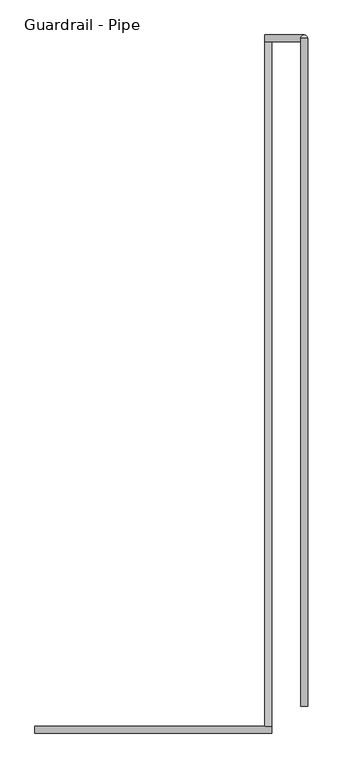
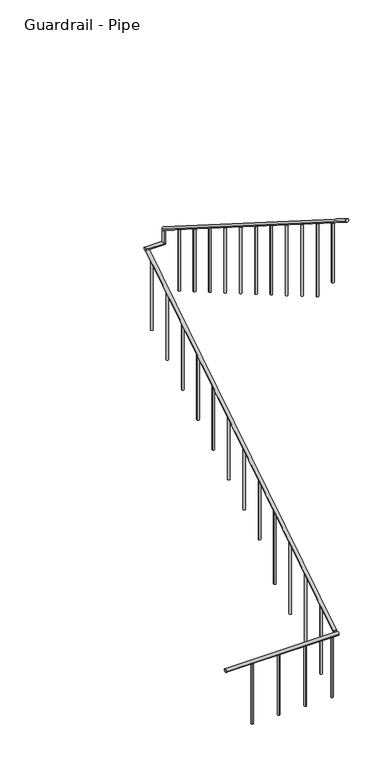
"""IFC4 building model written with IfcOpenShell, lengths in millimetres: railing geometry, Guardrail - Pipe."""

from ifc_helpers import new_model, si_unit, point, frame, frame_2d, origin, place, context, project, spatial, circle_curve, ellipse_curve, trimmed, segment, composite_curve, outline, extrude, source, transform, mapped, element, save
from ifc_brep_helpers import plane_surface, cylinder_surface, advanced_brep


def guardrail_pipe_5f2ef52b(model_context):
    return source(origin(), model_context, "Body", "SolidModel", [
        advanced_brep(
        [(575184.3754676, -284309.3580223, 847.9814972), (575222.4754676, -284309.3580223, 847.9814972), (575184.3754676, -280588.2580223, 3203.4252683), (575222.4754676, -280588.2580223, 3203.4252683)],
        [
            (0, 1, ellipse_curve(frame((575203.4254676, -284309.3580223, 847.9814972), z_axis=(0.0, -1.0, 0.0), x_axis=(0.0, 0.0, -1.0)), 22.5457755, 19.05)),
            (1, 0, ellipse_curve(frame((575203.4254676, -284309.3580223, 847.9814972), z_axis=(0.0, -1.0, 0.0), x_axis=(0.0, 0.0, -1.0)), 22.5457755, 19.05)),
            (2, 3, ellipse_curve(frame((575203.4254676, -280588.2580223, 3203.4252683), z_axis=(0.0, 1.0, 0.0), x_axis=(0.0, 0.0, -1.0)), 22.5457755, 19.05)),
            (3, 2, ellipse_curve(frame((575203.4254676, -280588.2580223, 3203.4252683), z_axis=(0.0, 1.0, 0.0), x_axis=(0.0, 0.0, -1.0)), 22.5457755, 19.05)),
            (1, 3),
            (2, 0),
        ],
        [
            plane_surface(frame((575203.4254676, -284309.3580223, 870.5272727), z_axis=(0.0, -1.0, 0.0), x_axis=(0.0, 0.0, 1.0))),
            plane_surface(frame((575203.4254676, -280588.2580223, 3225.9710438), z_axis=(0.0, 1.0, 0.0), x_axis=(0.0, 0.0, 1.0))),
            cylinder_surface(frame((575203.4254676, -284299.1691486, 854.43102), z_axis=(0.0, -0.8449476488296452, -0.5348490167675869), x_axis=(1.0, 0.0, 0.0)), 19.05),
        ],
        [
            (0, [[1, 2]]),
            (1, [[3, 4]]),
            (2, [[-2, 5, -3, 6]]),
            (2, [[-1, -6, -4, -5]]),
        ],
    ),
        advanced_brep(
        [(575184.3754676, -280550.1580223, 3218.9796296), (575184.3754676, -280588.2580223, 3218.9796296), (575397.9457983, -280588.2580223, 3218.9796296), (575397.9457983, -280550.1580223, 3218.9796296), (575397.9457983, -280550.1580223, 3357.738752), (575397.9457983, -280588.2580223, 3381.8559237)],
        [
            (0, 1, circle_curve(frame((575184.3754676, -280569.2080223, 3218.9796296), z_axis=(-1.0, 0.0, 0.0), x_axis=(0.0, -1.0, 0.0)), 19.05)),
            (1, 0, circle_curve(frame((575184.3754676, -280569.2080223, 3218.9796296), z_axis=(-1.0, 0.0, 0.0), x_axis=(0.0, -1.0, 0.0)), 19.05)),
            (1, 2),
            (2, 3, ellipse_curve(frame((575397.9457983, -280569.2080223, 3218.9796296), z_axis=(-0.7071067811865475, 0.0, -0.7071067811865475), x_axis=(-0.7071067811865476, 0.0, 0.7071067811865474)), 26.9407684, 19.05)),
            (3, 0),
            (3, 2, ellipse_curve(frame((575397.9457983, -280569.2080223, 3218.9796296), z_axis=(-0.7071067811865475, 0.0, -0.7071067811865475), x_axis=(-0.7071067811865476, 0.0, 0.7071067811865474)), 26.9407684, 19.05)),
            (4, 5, ellipse_curve(frame((575397.9457983, -280569.2080223, 3369.7973379), z_axis=(0.0, 0.5348490167675869, 0.8449476488296452), x_axis=(0.0, 0.8449476488296452, -0.5348490167675869)), 22.5457755, 19.05)),
            (5, 4, ellipse_curve(frame((575397.9457983, -280569.2080223, 3369.7973379), z_axis=(0.0, 0.5348490167675869, 0.8449476488296452), x_axis=(0.0, 0.8449476488296452, -0.5348490167675869)), 22.5457755, 19.05)),
            (2, 5),
            (4, 3),
        ],
        [
            plane_surface(frame((575184.3754676, -280569.2080223, 3238.0296296), z_axis=(-1.0, 0.0, 0.0), x_axis=(0.0, 1.0, 0.0))),
            cylinder_surface(frame((575184.3754676, -280569.2080223, 3218.9796296), z_axis=(-1.0, 0.0, 0.0), x_axis=(0.0, -1.0, 0.0)), 19.05),
            plane_surface(frame((575378.8957983, -280569.2080223, 3369.7973379), z_axis=(0.0, 0.5348490167675869, 0.8449476488296452), x_axis=(1.0, 0.0, 0.0))),
            cylinder_surface(frame((575397.9457983, -280569.2080223, 3238.0296296), z_axis=(0.0, 0.0, -1.0), x_axis=(0.0, -1.0, 0.0)), 19.05),
        ],
        [
            (0, [[1, 2]]),
            (1, [[-2, 3, 4, 5]]),
            (1, [[-1, -5, 6, -3]]),
            (2, [[7, 8]]),
            (3, [[-4, 9, -7, 10]]),
            (3, [[-6, -10, -8, -9]]),
        ],
    ),
        advanced_brep(
        [(575416.9957983, -280569.2080223, 3392.3431134), (575378.8957983, -280569.2080223, 3392.3431134), (575416.9957983, -284201.4080223, 5691.5134838), (575378.8957983, -284201.4080223, 5691.5134838)],
        [
            (0, 1, ellipse_curve(frame((575397.9457983, -280569.2080223, 3392.3431134), z_axis=(0.0, 1.0, 0.0), x_axis=(0.0, 0.0, -1.0)), 22.5457755, 19.05)),
            (1, 0, ellipse_curve(frame((575397.9457983, -280569.2080223, 3392.3431134), z_axis=(0.0, 1.0, 0.0), x_axis=(0.0, 0.0, -1.0)), 22.5457755, 19.05)),
            (2, 3, ellipse_curve(frame((575397.9457983, -284201.4080223, 5691.5134838), z_axis=(0.0, -1.0, 0.0), x_axis=(0.0, 0.0, -1.0)), 22.5457755, 19.05)),
            (3, 2, ellipse_curve(frame((575397.9457983, -284201.4080223, 5691.5134838), z_axis=(0.0, -1.0, 0.0), x_axis=(0.0, 0.0, -1.0)), 22.5457755, 19.05)),
            (1, 3),
            (2, 0),
        ],
        [
            plane_surface(frame((575397.9457983, -280569.2080223, 3414.8888889), z_axis=(0.0, 1.0, 0.0), x_axis=(0.0, 0.0, -1.0))),
            plane_surface(frame((575397.9457983, -284201.4080223, 5714.0592593), z_axis=(0.0, -1.0, 0.0), x_axis=(0.0, 0.0, -1.0))),
            cylinder_surface(frame((575397.9457983, -280579.3968961, 3398.7926362), z_axis=(0.0, 0.8449476488296452, -0.5348490167675869), x_axis=(-1.0, 0.0, 0.0)), 19.05),
        ],
        [
            (0, [[1, 2]]),
            (1, [[3, 4]]),
            (2, [[-2, 5, -3, 6]]),
            (2, [[-1, -6, -4, -5]]),
        ],
    ),
        advanced_brep(
        [(573933.4254676, -284309.3580223, 839.4186869), (573933.4254676, -284347.4580223, 839.4186869), (575222.4754676, -284309.3580223, 839.4186869), (575222.4754676, -284347.4580223, 839.4186869)],
        [
            (0, 1, circle_curve(frame((573933.4254676, -284328.4080223, 839.4186869), z_axis=(-1.0, 0.0, 0.0), x_axis=(0.0, -1.0, 0.0)), 19.05)),
            (1, 0, circle_curve(frame((573933.4254676, -284328.4080223, 839.4186869), z_axis=(-1.0, 0.0, 0.0), x_axis=(0.0, -1.0, 0.0)), 19.05)),
            (2, 3, circle_curve(frame((575222.4754676, -284328.4080223, 839.4186869), z_axis=(1.0, 0.0, 0.0), x_axis=(0.0, -1.0, 0.0)), 19.05)),
            (3, 2, circle_curve(frame((575222.4754676, -284328.4080223, 839.4186869), z_axis=(1.0, 0.0, 0.0), x_axis=(0.0, -1.0, 0.0)), 19.05)),
            (1, 3),
            (2, 0),
        ],
        [
            plane_surface(frame((573933.4254676, -284328.4080223, 858.4686869), z_axis=(-1.0, 0.0, 0.0), x_axis=(0.0, 1.0, 0.0))),
            plane_surface(frame((575222.4754676, -284328.4080223, 858.4686869), z_axis=(1.0, 0.0, 0.0), x_axis=(0.0, 1.0, 0.0))),
            cylinder_surface(frame((573933.4254676, -284328.4080223, 839.4186869), z_axis=(-1.0, 0.0, 0.0), x_axis=(0.0, -1.0, 0.0)), 19.05),
        ],
        [
            (0, [[1, 2]]),
            (1, [[3, 4]]),
            (2, [[-2, 5, -3, 6]]),
            (2, [[-1, -6, -4, -5]]),
        ],
    ),
        advanced_brep(
        [(575385.2457983, -283922.0080223, 5492.108449), (575385.2457983, -283922.0080223, 4775.2), (575410.6457983, -283922.0080223, 4775.2), (575410.6457983, -283922.0080223, 5492.108449)],
        [
            (0, 1),
            (1, 2, circle_curve(frame((575397.9457983, -283922.0080223, 4775.2), z_axis=(0.0, 0.0, 1.0), x_axis=(1.0, 0.0, 0.0)), 12.7)),
            (2, 3),
            (3, 0, ellipse_curve(frame((575397.9457983, -283922.0080223, 5492.108449), z_axis=(0.0, -0.534849016767586, -0.8449476488296459), x_axis=(0.0, -0.8449476488296459, 0.5348490167675857)), 15.030517, 12.7)),
            (0, 3, ellipse_curve(frame((575397.9457983, -283922.0080223, 5492.108449), z_axis=(0.0, -0.534849016767586, -0.8449476488296459), x_axis=(0.0, -0.8449476488296459, 0.5348490167675857)), 15.030517, 12.7)),
            (2, 1, circle_curve(frame((575397.9457983, -283922.0080223, 4775.2), z_axis=(0.0, 0.0, 1.0), x_axis=(1.0, 0.0, 0.0)), 12.7)),
        ],
        [
            cylinder_surface(frame((575397.9457983, -283922.0080223, 4546.6), z_axis=(0.0, 0.0, 1.0), x_axis=(1.0, 0.0, 0.0)), 12.7),
            plane_surface(frame((575423.3457983, -283947.4080223, 5508.1865635), z_axis=(0.0, 0.534849016767586, 0.8449476488296459), x_axis=(-1.0, 0.0, 0.0))),
            plane_surface(frame((575423.3457983, -283896.6080223, 4775.2), z_axis=(0.0, 0.0, -1.0), x_axis=(-1.0, 0.0, 0.0))),
        ],
        [
            (0, [[1, 2, 3, 4]]),
            (0, [[-1, 5, -3, 6]]),
            (1, [[-4, -5]]),
            (2, [[-2, -6]]),
        ],
    ),
        advanced_brep(
        [(575385.2457983, -283617.2080223, 5299.1710753), (575385.2457983, -283617.2080223, 4421.4814815), (575410.6457983, -283617.2080223, 4421.4814815), (575410.6457983, -283617.2080223, 5299.1710753)],
        [
            (0, 1),
            (1, 2, circle_curve(frame((575397.9457983, -283617.2080223, 4421.4814815), z_axis=(0.0, 0.0, 1.0), x_axis=(1.0, 0.0, 0.0)), 12.7)),
            (2, 3),
            (3, 0, ellipse_curve(frame((575397.9457983, -283617.2080223, 5299.1710753), z_axis=(0.0, -0.5348490167675843, -0.8449476488296469), x_axis=(0.0, -0.8449476488296469, 0.5348490167675843)), 15.030517, 12.7)),
            (0, 3, ellipse_curve(frame((575397.9457983, -283617.2080223, 5299.1710753), z_axis=(0.0, -0.5348490167675843, -0.8449476488296469), x_axis=(0.0, -0.8449476488296469, 0.5348490167675843)), 15.030517, 12.7)),
            (2, 1, circle_curve(frame((575397.9457983, -283617.2080223, 4421.4814815), z_axis=(0.0, 0.0, 1.0), x_axis=(1.0, 0.0, 0.0)), 12.7)),
        ],
        [
            cylinder_surface(frame((575397.9457983, -283617.2080223, 4192.8814815), z_axis=(0.0, 0.0, 1.0), x_axis=(1.0, 0.0, 0.0)), 12.7),
            plane_surface(frame((575423.3457983, -283642.6080223, 5315.2491897), z_axis=(0.0, 0.5348490167675843, 0.8449476488296469), x_axis=(-1.0, 0.0, 0.0))),
            plane_surface(frame((575423.3457983, -283591.8080223, 4421.4814815), z_axis=(0.0, 0.0, -1.0), x_axis=(-1.0, 0.0, 0.0))),
        ],
        [
            (0, [[1, 2, 3, 4]]),
            (0, [[-1, 5, -3, 6]]),
            (1, [[-4, -5]]),
            (2, [[-2, -6]]),
        ],
    ),
        advanced_brep(
        [(575385.2457983, -283312.4080223, 5106.2337015), (575385.2457983, -283312.4080223, 4244.6222222), (575410.6457983, -283312.4080223, 4244.6222222), (575410.6457983, -283312.4080223, 5106.2337015)],
        [
            (0, 1),
            (1, 2, circle_curve(frame((575397.9457983, -283312.4080223, 4244.6222222), z_axis=(0.0, 0.0, 1.0), x_axis=(1.0, 0.0, 0.0)), 12.7)),
            (2, 3),
            (3, 0, ellipse_curve(frame((575397.9457983, -283312.4080223, 5106.2337015), z_axis=(0.0, -0.534849016767586, -0.8449476488296459), x_axis=(0.0, -0.8449476488296459, 0.5348490167675857)), 15.030517, 12.7)),
            (0, 3, ellipse_curve(frame((575397.9457983, -283312.4080223, 5106.2337015), z_axis=(0.0, -0.534849016767586, -0.8449476488296459), x_axis=(0.0, -0.8449476488296459, 0.5348490167675857)), 15.030517, 12.7)),
            (2, 1, circle_curve(frame((575397.9457983, -283312.4080223, 4244.6222222), z_axis=(0.0, 0.0, 1.0), x_axis=(1.0, 0.0, 0.0)), 12.7)),
        ],
        [
            cylinder_surface(frame((575397.9457983, -283312.4080223, 4016.0222222), z_axis=(0.0, 0.0, 1.0), x_axis=(1.0, 0.0, 0.0)), 12.7),
            plane_surface(frame((575423.3457983, -283337.8080223, 5122.311816), z_axis=(0.0, 0.534849016767586, 0.8449476488296459), x_axis=(-1.0, 0.0, 0.0))),
            plane_surface(frame((575423.3457983, -283287.0080223, 4244.6222222), z_axis=(0.0, 0.0, -1.0), x_axis=(-1.0, 0.0, 0.0))),
        ],
        [
            (0, [[1, 2, 3, 4]]),
            (0, [[-1, 5, -3, 6]]),
            (1, [[-4, -5]]),
            (2, [[-2, -6]]),
        ],
    ),
        advanced_brep(
        [(575385.2457983, -283007.6080223, 4913.2963278), (575385.2457983, -283007.6080223, 4067.762963), (575410.6457983, -283007.6080223, 4067.762963), (575410.6457983, -283007.6080223, 4913.2963278)],
        [
            (0, 1),
            (1, 2, circle_curve(frame((575397.9457983, -283007.6080223, 4067.762963), z_axis=(0.0, 0.0, 1.0), x_axis=(1.0, 0.0, 0.0)), 12.7)),
            (2, 3),
            (3, 0, ellipse_curve(frame((575397.9457983, -283007.6080223, 4913.2963278), z_axis=(0.0, -0.534849016767586, -0.8449476488296459), x_axis=(0.0, -0.8449476488296459, 0.5348490167675857)), 15.030517, 12.7)),
            (0, 3, ellipse_curve(frame((575397.9457983, -283007.6080223, 4913.2963278), z_axis=(0.0, -0.534849016767586, -0.8449476488296459), x_axis=(0.0, -0.8449476488296459, 0.5348490167675857)), 15.030517, 12.7)),
            (2, 1, circle_curve(frame((575397.9457983, -283007.6080223, 4067.762963), z_axis=(0.0, 0.0, 1.0), x_axis=(1.0, 0.0, 0.0)), 12.7)),
        ],
        [
            cylinder_surface(frame((575397.9457983, -283007.6080223, 3839.162963), z_axis=(0.0, 0.0, 1.0), x_axis=(1.0, 0.0, 0.0)), 12.7),
            plane_surface(frame((575423.3457983, -283033.0080223, 4929.3744423), z_axis=(0.0, 0.534849016767586, 0.8449476488296459), x_axis=(-1.0, 0.0, 0.0))),
            plane_surface(frame((575423.3457983, -282982.2080223, 4067.762963), z_axis=(0.0, 0.0, -1.0), x_axis=(-1.0, 0.0, 0.0))),
        ],
        [
            (0, [[1, 2, 3, 4]]),
            (0, [[-1, 5, -3, 6]]),
            (1, [[-4, -5]]),
            (2, [[-2, -6]]),
        ],
    ),
        advanced_brep(
        [(575385.2457983, -282702.8080223, 4720.358954), (575385.2457983, -282702.8080223, 3890.9037037), (575410.6457983, -282702.8080223, 3890.9037037), (575410.6457983, -282702.8080223, 4720.358954)],
        [
            (0, 1),
            (1, 2, circle_curve(frame((575397.9457983, -282702.8080223, 3890.9037037), z_axis=(0.0, 0.0, 1.0), x_axis=(1.0, 0.0, 0.0)), 12.7)),
            (2, 3),
            (3, 0, ellipse_curve(frame((575397.9457983, -282702.8080223, 4720.358954), z_axis=(0.0, -0.5348490167675843, -0.8449476488296469), x_axis=(0.0, -0.8449476488296469, 0.5348490167675843)), 15.030517, 12.7)),
            (0, 3, ellipse_curve(frame((575397.9457983, -282702.8080223, 4720.358954), z_axis=(0.0, -0.5348490167675843, -0.8449476488296469), x_axis=(0.0, -0.8449476488296469, 0.5348490167675843)), 15.030517, 12.7)),
            (2, 1, circle_curve(frame((575397.9457983, -282702.8080223, 3890.9037037), z_axis=(0.0, 0.0, 1.0), x_axis=(1.0, 0.0, 0.0)), 12.7)),
        ],
        [
            cylinder_surface(frame((575397.9457983, -282702.8080223, 3662.3037037), z_axis=(0.0, 0.0, 1.0), x_axis=(1.0, 0.0, 0.0)), 12.7),
            plane_surface(frame((575423.3457983, -282728.2080223, 4736.4370685), z_axis=(0.0, 0.5348490167675843, 0.8449476488296469), x_axis=(-1.0, 0.0, 0.0))),
            plane_surface(frame((575423.3457983, -282677.4080223, 3890.9037037), z_axis=(0.0, 0.0, -1.0), x_axis=(-1.0, 0.0, 0.0))),
        ],
        [
            (0, [[1, 2, 3, 4]]),
            (0, [[-1, 5, -3, 6]]),
            (1, [[-4, -5]]),
            (2, [[-2, -6]]),
        ],
    ),
        advanced_brep(
        [(575385.2457983, -282398.0080223, 4527.4215803), (575385.2457983, -282398.0080223, 3714.0444444), (575410.6457983, -282398.0080223, 3714.0444444), (575410.6457983, -282398.0080223, 4527.4215803)],
        [
            (0, 1),
            (1, 2, circle_curve(frame((575397.9457983, -282398.0080223, 3714.0444444), z_axis=(0.0, 0.0, 1.0), x_axis=(1.0, 0.0, 0.0)), 12.7)),
            (2, 3),
            (3, 0, ellipse_curve(frame((575397.9457983, -282398.0080223, 4527.4215803), z_axis=(0.0, -0.5348490167675828, -0.844947648829648), x_axis=(0.0, -0.8449476488296481, 0.5348490167675825)), 15.030517, 12.7)),
            (0, 3, ellipse_curve(frame((575397.9457983, -282398.0080223, 4527.4215803), z_axis=(0.0, -0.5348490167675828, -0.844947648829648), x_axis=(0.0, -0.8449476488296481, 0.5348490167675825)), 15.030517, 12.7)),
            (2, 1, circle_curve(frame((575397.9457983, -282398.0080223, 3714.0444444), z_axis=(0.0, 0.0, 1.0), x_axis=(1.0, 0.0, 0.0)), 12.7)),
        ],
        [
            cylinder_surface(frame((575397.9457983, -282398.0080223, 3485.4444444), z_axis=(0.0, 0.0, 1.0), x_axis=(1.0, 0.0, 0.0)), 12.7),
            plane_surface(frame((575423.3457983, -282423.4080223, 4543.4996948), z_axis=(0.0, 0.5348490167675828, 0.844947648829648), x_axis=(-1.0, 0.0, 0.0))),
            plane_surface(frame((575423.3457983, -282372.6080223, 3714.0444444), z_axis=(0.0, 0.0, -1.0), x_axis=(-1.0, 0.0, 0.0))),
        ],
        [
            (0, [[1, 2, 3, 4]]),
            (0, [[-1, 5, -3, 6]]),
            (1, [[-4, -5]]),
            (2, [[-2, -6]]),
        ],
    ),
        advanced_brep(
        [(575385.2457983, -282093.2080223, 4334.4842066), (575385.2457983, -282093.2080223, 3537.1851852), (575410.6457983, -282093.2080223, 3537.1851852), (575410.6457983, -282093.2080223, 4334.4842066)],
        [
            (0, 1),
            (1, 2, circle_curve(frame((575397.9457983, -282093.2080223, 3537.1851852), z_axis=(0.0, 0.0, 1.0), x_axis=(1.0, 0.0, 0.0)), 12.7)),
            (2, 3),
            (3, 0, ellipse_curve(frame((575397.9457983, -282093.2080223, 4334.4842066), z_axis=(0.0, -0.5348490167675843, -0.8449476488296469), x_axis=(0.0, -0.8449476488296469, 0.5348490167675843)), 15.030517, 12.7)),
            (0, 3, ellipse_curve(frame((575397.9457983, -282093.2080223, 4334.4842066), z_axis=(0.0, -0.5348490167675843, -0.8449476488296469), x_axis=(0.0, -0.8449476488296469, 0.5348490167675843)), 15.030517, 12.7)),
            (2, 1, circle_curve(frame((575397.9457983, -282093.2080223, 3537.1851852), z_axis=(0.0, 0.0, 1.0), x_axis=(1.0, 0.0, 0.0)), 12.7)),
        ],
        [
            cylinder_surface(frame((575397.9457983, -282093.2080223, 3308.5851852), z_axis=(0.0, 0.0, 1.0), x_axis=(1.0, 0.0, 0.0)), 12.7),
            plane_surface(frame((575423.3457983, -282118.6080223, 4350.5623211), z_axis=(0.0, 0.5348490167675843, 0.8449476488296469), x_axis=(-1.0, 0.0, 0.0))),
            plane_surface(frame((575423.3457983, -282067.8080223, 3537.1851852), z_axis=(0.0, 0.0, -1.0), x_axis=(-1.0, 0.0, 0.0))),
        ],
        [
            (0, [[1, 2, 3, 4]]),
            (0, [[-1, 5, -3, 6]]),
            (1, [[-4, -5]]),
            (2, [[-2, -6]]),
        ],
    ),
        advanced_brep(
        [(575385.2457983, -281788.4080223, 4141.5468328), (575385.2457983, -281788.4080223, 3360.3259259), (575410.6457983, -281788.4080223, 3360.3259259), (575410.6457983, -281788.4080223, 4141.5468328)],
        [
            (0, 1),
            (1, 2, circle_curve(frame((575397.9457983, -281788.4080223, 3360.3259259), z_axis=(0.0, 0.0, 1.0), x_axis=(1.0, 0.0, 0.0)), 12.7)),
            (2, 3),
            (3, 0, ellipse_curve(frame((575397.9457983, -281788.4080223, 4141.5468328), z_axis=(0.0, -0.5348490167675843, -0.8449476488296469), x_axis=(0.0, -0.8449476488296469, 0.5348490167675843)), 15.030517, 12.7)),
            (0, 3, ellipse_curve(frame((575397.9457983, -281788.4080223, 4141.5468328), z_axis=(0.0, -0.5348490167675843, -0.8449476488296469), x_axis=(0.0, -0.8449476488296469, 0.5348490167675843)), 15.030517, 12.7)),
            (2, 1, circle_curve(frame((575397.9457983, -281788.4080223, 3360.3259259), z_axis=(0.0, 0.0, 1.0), x_axis=(1.0, 0.0, 0.0)), 12.7)),
        ],
        [
            cylinder_surface(frame((575397.9457983, -281788.4080223, 3131.7259259), z_axis=(0.0, 0.0, 1.0), x_axis=(1.0, 0.0, 0.0)), 12.7),
            plane_surface(frame((575423.3457983, -281813.8080223, 4157.6249473), z_axis=(0.0, 0.5348490167675843, 0.8449476488296469), x_axis=(-1.0, 0.0, 0.0))),
            plane_surface(frame((575423.3457983, -281763.0080223, 3360.3259259), z_axis=(0.0, 0.0, -1.0), x_axis=(-1.0, 0.0, 0.0))),
        ],
        [
            (0, [[1, 2, 3, 4]]),
            (0, [[-1, 5, -3, 6]]),
            (1, [[-4, -5]]),
            (2, [[-2, -6]]),
        ],
    ),
        advanced_brep(
        [(575385.2457983, -281483.6080223, 3948.6094591), (575385.2457983, -281483.6080223, 3183.4666667), (575410.6457983, -281483.6080223, 3183.4666667), (575410.6457983, -281483.6080223, 3948.6094591)],
        [
            (0, 1),
            (1, 2, circle_curve(frame((575397.9457983, -281483.6080223, 3183.4666667), z_axis=(0.0, 0.0, 1.0), x_axis=(1.0, 0.0, 0.0)), 12.7)),
            (2, 3),
            (3, 0, ellipse_curve(frame((575397.9457983, -281483.6080223, 3948.6094591), z_axis=(0.0, -0.5348490167675843, -0.8449476488296469), x_axis=(0.0, -0.8449476488296469, 0.5348490167675843)), 15.030517, 12.7)),
            (0, 3, ellipse_curve(frame((575397.9457983, -281483.6080223, 3948.6094591), z_axis=(0.0, -0.5348490167675843, -0.8449476488296469), x_axis=(0.0, -0.8449476488296469, 0.5348490167675843)), 15.030517, 12.7)),
            (2, 1, circle_curve(frame((575397.9457983, -281483.6080223, 3183.4666667), z_axis=(0.0, 0.0, 1.0), x_axis=(1.0, 0.0, 0.0)), 12.7)),
        ],
        [
            cylinder_surface(frame((575397.9457983, -281483.6080223, 2954.8666667), z_axis=(0.0, 0.0, 1.0), x_axis=(1.0, 0.0, 0.0)), 12.7),
            plane_surface(frame((575423.3457983, -281509.0080223, 3964.6875736), z_axis=(0.0, 0.5348490167675843, 0.8449476488296469), x_axis=(-1.0, 0.0, 0.0))),
            plane_surface(frame((575423.3457983, -281458.2080223, 3183.4666667), z_axis=(0.0, 0.0, -1.0), x_axis=(-1.0, 0.0, 0.0))),
        ],
        [
            (0, [[1, 2, 3, 4]]),
            (0, [[-1, 5, -3, 6]]),
            (1, [[-4, -5]]),
            (2, [[-2, -6]]),
        ],
    ),
        advanced_brep(
        [(575385.2457983, -281178.8080223, 3755.6720854), (575385.2457983, -281178.8080223, 3006.6074074), (575410.6457983, -281178.8080223, 3006.6074074), (575410.6457983, -281178.8080223, 3755.6720854)],
        [
            (0, 1),
            (1, 2, circle_curve(frame((575397.9457983, -281178.8080223, 3006.6074074), z_axis=(0.0, 0.0, 1.0), x_axis=(1.0, 0.0, 0.0)), 12.7)),
            (2, 3),
            (3, 0, ellipse_curve(frame((575397.9457983, -281178.8080223, 3755.6720854), z_axis=(0.0, -0.534849016767586, -0.8449476488296459), x_axis=(0.0, -0.8449476488296459, 0.5348490167675857)), 15.030517, 12.7)),
            (0, 3, ellipse_curve(frame((575397.9457983, -281178.8080223, 3755.6720854), z_axis=(0.0, -0.534849016767586, -0.8449476488296459), x_axis=(0.0, -0.8449476488296459, 0.5348490167675857)), 15.030517, 12.7)),
            (2, 1, circle_curve(frame((575397.9457983, -281178.8080223, 3006.6074074), z_axis=(0.0, 0.0, 1.0), x_axis=(1.0, 0.0, 0.0)), 12.7)),
        ],
        [
            cylinder_surface(frame((575397.9457983, -281178.8080223, 2778.0074074), z_axis=(0.0, 0.0, 1.0), x_axis=(1.0, 0.0, 0.0)), 12.7),
            plane_surface(frame((575423.3457983, -281204.2080223, 3771.7501998), z_axis=(0.0, 0.534849016767586, 0.8449476488296459), x_axis=(-1.0, 0.0, 0.0))),
            plane_surface(frame((575423.3457983, -281153.4080223, 3006.6074074), z_axis=(0.0, 0.0, -1.0), x_axis=(-1.0, 0.0, 0.0))),
        ],
        [
            (0, [[1, 2, 3, 4]]),
            (0, [[-1, 5, -3, 6]]),
            (1, [[-4, -5]]),
            (2, [[-2, -6]]),
        ],
    ),
        advanced_brep(
        [(575385.2457983, -280874.0080223, 3562.7347116), (575385.2457983, -280874.0080223, 2829.7481481), (575410.6457983, -280874.0080223, 2829.7481481), (575410.6457983, -280874.0080223, 3562.7347116)],
        [
            (0, 1),
            (1, 2, circle_curve(frame((575397.9457983, -280874.0080223, 2829.7481481), z_axis=(0.0, 0.0, 1.0), x_axis=(1.0, 0.0, 0.0)), 12.7)),
            (2, 3),
            (3, 0, ellipse_curve(frame((575397.9457983, -280874.0080223, 3562.7347116), z_axis=(0.0, -0.5348490167675828, -0.844947648829648), x_axis=(0.0, -0.8449476488296481, 0.5348490167675825)), 15.030517, 12.7)),
            (0, 3, ellipse_curve(frame((575397.9457983, -280874.0080223, 3562.7347116), z_axis=(0.0, -0.5348490167675828, -0.844947648829648), x_axis=(0.0, -0.8449476488296481, 0.5348490167675825)), 15.030517, 12.7)),
            (2, 1, circle_curve(frame((575397.9457983, -280874.0080223, 2829.7481481), z_axis=(0.0, 0.0, 1.0), x_axis=(1.0, 0.0, 0.0)), 12.7)),
        ],
        [
            cylinder_surface(frame((575397.9457983, -280874.0080223, 2601.1481481), z_axis=(0.0, 0.0, 1.0), x_axis=(1.0, 0.0, 0.0)), 12.7),
            plane_surface(frame((575423.3457983, -280899.4080223, 3578.8128261), z_axis=(0.0, 0.5348490167675828, 0.844947648829648), x_axis=(-1.0, 0.0, 0.0))),
            plane_surface(frame((575423.3457983, -280848.6080223, 2829.7481481), z_axis=(0.0, 0.0, -1.0), x_axis=(-1.0, 0.0, 0.0))),
        ],
        [
            (0, [[1, 2, 3, 4]]),
            (0, [[-1, 5, -3, 6]]),
            (1, [[-4, -5]]),
            (2, [[-2, -6]]),
        ],
    ),
        advanced_brep(
        [(575216.1254676, -280670.8080223, 3128.6256207), (575216.1254676, -280670.8080223, 2299.1703704), (575190.7254676, -280670.8080223, 2299.1703704), (575190.7254676, -280670.8080223, 3128.6256207)],
        [
            (0, 1),
            (1, 2, circle_curve(frame((575203.4254676, -280670.8080223, 2299.1703704), z_axis=(0.0, 0.0, 1.0), x_axis=(-1.0, 0.0, 0.0)), 12.7)),
            (2, 3),
            (3, 0, ellipse_curve(frame((575203.4254676, -280670.8080223, 3128.6256207), z_axis=(0.0, 0.5348490167675843, -0.8449476488296469), x_axis=(0.0, 0.8449476488296469, 0.5348490167675843)), 15.030517, 12.7)),
            (0, 3, ellipse_curve(frame((575203.4254676, -280670.8080223, 3128.6256207), z_axis=(0.0, 0.5348490167675843, -0.8449476488296469), x_axis=(0.0, 0.8449476488296469, 0.5348490167675843)), 15.030517, 12.7)),
            (2, 1, circle_curve(frame((575203.4254676, -280670.8080223, 2299.1703704), z_axis=(0.0, 0.0, 1.0), x_axis=(-1.0, 0.0, 0.0)), 12.7)),
        ],
        [
            cylinder_surface(frame((575203.4254676, -280670.8080223, 2070.5703704), z_axis=(0.0, 0.0, 1.0), x_axis=(-1.0, 0.0, 0.0)), 12.7),
            plane_surface(frame((575178.0254676, -280645.4080223, 3144.7037352), z_axis=(0.0, -0.5348490167675843, 0.8449476488296469), x_axis=(1.0, 0.0, 0.0))),
            plane_surface(frame((575178.0254676, -280696.2080223, 2299.1703704), z_axis=(0.0, 0.0, -1.0), x_axis=(1.0, 0.0, 0.0))),
        ],
        [
            (0, [[1, 2, 3, 4]]),
            (0, [[-1, 5, -3, 6]]),
            (1, [[-4, -5]]),
            (2, [[-2, -6]]),
        ],
    ),
        advanced_brep(
        [(575216.1254676, -280975.6080223, 2935.688247), (575216.1254676, -280975.6080223, 2122.3111111), (575190.7254676, -280975.6080223, 2122.3111111), (575190.7254676, -280975.6080223, 2935.688247)],
        [
            (0, 1),
            (1, 2, circle_curve(frame((575203.4254676, -280975.6080223, 2122.3111111), z_axis=(0.0, 0.0, 1.0), x_axis=(-1.0, 0.0, 0.0)), 12.7)),
            (2, 3),
            (3, 0, ellipse_curve(frame((575203.4254676, -280975.6080223, 2935.688247), z_axis=(0.0, 0.5348490167675828, -0.844947648829648), x_axis=(0.0, 0.8449476488296481, 0.5348490167675825)), 15.030517, 12.7)),
            (0, 3, ellipse_curve(frame((575203.4254676, -280975.6080223, 2935.688247), z_axis=(0.0, 0.5348490167675828, -0.844947648829648), x_axis=(0.0, 0.8449476488296481, 0.5348490167675825)), 15.030517, 12.7)),
            (2, 1, circle_curve(frame((575203.4254676, -280975.6080223, 2122.3111111), z_axis=(0.0, 0.0, 1.0), x_axis=(-1.0, 0.0, 0.0)), 12.7)),
        ],
        [
            cylinder_surface(frame((575203.4254676, -280975.6080223, 1893.7111111), z_axis=(0.0, 0.0, 1.0), x_axis=(-1.0, 0.0, 0.0)), 12.7),
            plane_surface(frame((575178.0254676, -280950.2080223, 2951.7663615), z_axis=(0.0, -0.5348490167675828, 0.844947648829648), x_axis=(1.0, 0.0, 0.0))),
            plane_surface(frame((575178.0254676, -281001.0080223, 2122.3111111), z_axis=(0.0, 0.0, -1.0), x_axis=(1.0, 0.0, 0.0))),
        ],
        [
            (0, [[1, 2, 3, 4]]),
            (0, [[-1, 5, -3, 6]]),
            (1, [[-4, -5]]),
            (2, [[-2, -6]]),
        ],
    ),
        advanced_brep(
        [(575216.1254676, -281280.4080223, 2742.7508732), (575216.1254676, -281280.4080223, 1945.4518519), (575190.7254676, -281280.4080223, 1945.4518519), (575190.7254676, -281280.4080223, 2742.7508732)],
        [
            (0, 1),
            (1, 2, circle_curve(frame((575203.4254676, -281280.4080223, 1945.4518519), z_axis=(0.0, 0.0, 1.0), x_axis=(-1.0, 0.0, 0.0)), 12.7)),
            (2, 3),
            (3, 0, ellipse_curve(frame((575203.4254676, -281280.4080223, 2742.7508732), z_axis=(0.0, 0.5348490167675843, -0.8449476488296469), x_axis=(0.0, 0.8449476488296469, 0.5348490167675843)), 15.030517, 12.7)),
            (0, 3, ellipse_curve(frame((575203.4254676, -281280.4080223, 2742.7508732), z_axis=(0.0, 0.5348490167675843, -0.8449476488296469), x_axis=(0.0, 0.8449476488296469, 0.5348490167675843)), 15.030517, 12.7)),
            (2, 1, circle_curve(frame((575203.4254676, -281280.4080223, 1945.4518519), z_axis=(0.0, 0.0, 1.0), x_axis=(-1.0, 0.0, 0.0)), 12.7)),
        ],
        [
            cylinder_surface(frame((575203.4254676, -281280.4080223, 1716.8518519), z_axis=(0.0, 0.0, 1.0), x_axis=(-1.0, 0.0, 0.0)), 12.7),
            plane_surface(frame((575178.0254676, -281255.0080223, 2758.8289877), z_axis=(0.0, -0.5348490167675843, 0.8449476488296469), x_axis=(1.0, 0.0, 0.0))),
            plane_surface(frame((575178.0254676, -281305.8080223, 1945.4518519), z_axis=(0.0, 0.0, -1.0), x_axis=(1.0, 0.0, 0.0))),
        ],
        [
            (0, [[1, 2, 3, 4]]),
            (0, [[-1, 5, -3, 6]]),
            (1, [[-4, -5]]),
            (2, [[-2, -6]]),
        ],
    ),
        advanced_brep(
        [(575216.1254676, -281585.2080223, 2549.8134995), (575216.1254676, -281585.2080223, 1768.5925926), (575190.7254676, -281585.2080223, 1768.5925926), (575190.7254676, -281585.2080223, 2549.8134995)],
        [
            (0, 1),
            (1, 2, circle_curve(frame((575203.4254676, -281585.2080223, 1768.5925926), z_axis=(0.0, 0.0, 1.0), x_axis=(-1.0, 0.0, 0.0)), 12.7)),
            (2, 3),
            (3, 0, ellipse_curve(frame((575203.4254676, -281585.2080223, 2549.8134995), z_axis=(0.0, 0.5348490167675843, -0.8449476488296469), x_axis=(0.0, 0.8449476488296469, 0.5348490167675843)), 15.030517, 12.7)),
            (0, 3, ellipse_curve(frame((575203.4254676, -281585.2080223, 2549.8134995), z_axis=(0.0, 0.5348490167675843, -0.8449476488296469), x_axis=(0.0, 0.8449476488296469, 0.5348490167675843)), 15.030517, 12.7)),
            (2, 1, circle_curve(frame((575203.4254676, -281585.2080223, 1768.5925926), z_axis=(0.0, 0.0, 1.0), x_axis=(-1.0, 0.0, 0.0)), 12.7)),
        ],
        [
            cylinder_surface(frame((575203.4254676, -281585.2080223, 1539.9925926), z_axis=(0.0, 0.0, 1.0), x_axis=(-1.0, 0.0, 0.0)), 12.7),
            plane_surface(frame((575178.0254676, -281559.8080223, 2565.891614), z_axis=(0.0, -0.5348490167675843, 0.8449476488296469), x_axis=(1.0, 0.0, 0.0))),
            plane_surface(frame((575178.0254676, -281610.6080223, 1768.5925926), z_axis=(0.0, 0.0, -1.0), x_axis=(1.0, 0.0, 0.0))),
        ],
        [
            (0, [[1, 2, 3, 4]]),
            (0, [[-1, 5, -3, 6]]),
            (1, [[-4, -5]]),
            (2, [[-2, -6]]),
        ],
    ),
        advanced_brep(
        [(575216.1254676, -281890.0080223, 2356.8761258), (575216.1254676, -281890.0080223, 1591.7333333), (575190.7254676, -281890.0080223, 1591.7333333), (575190.7254676, -281890.0080223, 2356.8761258)],
        [
            (0, 1),
            (1, 2, circle_curve(frame((575203.4254676, -281890.0080223, 1591.7333333), z_axis=(0.0, 0.0, 1.0), x_axis=(-1.0, 0.0, 0.0)), 12.7)),
            (2, 3),
            (3, 0, ellipse_curve(frame((575203.4254676, -281890.0080223, 2356.8761258), z_axis=(0.0, 0.5348490167675843, -0.8449476488296469), x_axis=(0.0, 0.8449476488296469, 0.5348490167675843)), 15.030517, 12.7)),
            (0, 3, ellipse_curve(frame((575203.4254676, -281890.0080223, 2356.8761258), z_axis=(0.0, 0.5348490167675843, -0.8449476488296469), x_axis=(0.0, 0.8449476488296469, 0.5348490167675843)), 15.030517, 12.7)),
            (2, 1, circle_curve(frame((575203.4254676, -281890.0080223, 1591.7333333), z_axis=(0.0, 0.0, 1.0), x_axis=(-1.0, 0.0, 0.0)), 12.7)),
        ],
        [
            cylinder_surface(frame((575203.4254676, -281890.0080223, 1363.1333333), z_axis=(0.0, 0.0, 1.0), x_axis=(-1.0, 0.0, 0.0)), 12.7),
            plane_surface(frame((575178.0254676, -281864.6080223, 2372.9542402), z_axis=(0.0, -0.5348490167675843, 0.8449476488296469), x_axis=(1.0, 0.0, 0.0))),
            plane_surface(frame((575178.0254676, -281915.4080223, 1591.7333333), z_axis=(0.0, 0.0, -1.0), x_axis=(1.0, 0.0, 0.0))),
        ],
        [
            (0, [[1, 2, 3, 4]]),
            (0, [[-1, 5, -3, 6]]),
            (1, [[-4, -5]]),
            (2, [[-2, -6]]),
        ],
    ),
        advanced_brep(
        [(575216.1254676, -282194.8080223, 2163.938752), (575216.1254676, -282194.8080223, 1414.8740741), (575190.7254676, -282194.8080223, 1414.8740741), (575190.7254676, -282194.8080223, 2163.938752)],
        [
            (0, 1),
            (1, 2, circle_curve(frame((575203.4254676, -282194.8080223, 1414.8740741), z_axis=(0.0, 0.0, 1.0), x_axis=(-1.0, 0.0, 0.0)), 12.7)),
            (2, 3),
            (3, 0, ellipse_curve(frame((575203.4254676, -282194.8080223, 2163.938752), z_axis=(0.0, 0.534849016767586, -0.8449476488296459), x_axis=(0.0, 0.8449476488296459, 0.5348490167675857)), 15.030517, 12.7)),
            (0, 3, ellipse_curve(frame((575203.4254676, -282194.8080223, 2163.938752), z_axis=(0.0, 0.534849016767586, -0.8449476488296459), x_axis=(0.0, 0.8449476488296459, 0.5348490167675857)), 15.030517, 12.7)),
            (2, 1, circle_curve(frame((575203.4254676, -282194.8080223, 1414.8740741), z_axis=(0.0, 0.0, 1.0), x_axis=(-1.0, 0.0, 0.0)), 12.7)),
        ],
        [
            cylinder_surface(frame((575203.4254676, -282194.8080223, 1186.2740741), z_axis=(0.0, 0.0, 1.0), x_axis=(-1.0, 0.0, 0.0)), 12.7),
            plane_surface(frame((575178.0254676, -282169.4080223, 2180.0168665), z_axis=(0.0, -0.534849016767586, 0.8449476488296459), x_axis=(1.0, 0.0, 0.0))),
            plane_surface(frame((575178.0254676, -282220.2080223, 1414.8740741), z_axis=(0.0, 0.0, -1.0), x_axis=(1.0, 0.0, 0.0))),
        ],
        [
            (0, [[1, 2, 3, 4]]),
            (0, [[-1, 5, -3, 6]]),
            (1, [[-4, -5]]),
            (2, [[-2, -6]]),
        ],
    ),
        advanced_brep(
        [(575216.1254676, -282499.6080223, 1971.0013783), (575216.1254676, -282499.6080223, 1238.0148148), (575190.7254676, -282499.6080223, 1238.0148148), (575190.7254676, -282499.6080223, 1971.0013783)],
        [
            (0, 1),
            (1, 2, circle_curve(frame((575203.4254676, -282499.6080223, 1238.0148148), z_axis=(0.0, 0.0, 1.0), x_axis=(-1.0, 0.0, 0.0)), 12.7)),
            (2, 3),
            (3, 0, ellipse_curve(frame((575203.4254676, -282499.6080223, 1971.0013783), z_axis=(0.0, 0.5348490167675828, -0.844947648829648), x_axis=(0.0, 0.8449476488296481, 0.5348490167675825)), 15.030517, 12.7)),
            (0, 3, ellipse_curve(frame((575203.4254676, -282499.6080223, 1971.0013783), z_axis=(0.0, 0.5348490167675828, -0.844947648829648), x_axis=(0.0, 0.8449476488296481, 0.5348490167675825)), 15.030517, 12.7)),
            (2, 1, circle_curve(frame((575203.4254676, -282499.6080223, 1238.0148148), z_axis=(0.0, 0.0, 1.0), x_axis=(-1.0, 0.0, 0.0)), 12.7)),
        ],
        [
            cylinder_surface(frame((575203.4254676, -282499.6080223, 1009.4148148), z_axis=(0.0, 0.0, 1.0), x_axis=(-1.0, 0.0, 0.0)), 12.7),
            plane_surface(frame((575178.0254676, -282474.2080223, 1987.0794928), z_axis=(0.0, -0.5348490167675828, 0.844947648829648), x_axis=(1.0, 0.0, 0.0))),
            plane_surface(frame((575178.0254676, -282525.0080223, 1238.0148148), z_axis=(0.0, 0.0, -1.0), x_axis=(1.0, 0.0, 0.0))),
        ],
        [
            (0, [[1, 2, 3, 4]]),
            (0, [[-1, 5, -3, 6]]),
            (1, [[-4, -5]]),
            (2, [[-2, -6]]),
        ],
    ),
        advanced_brep(
        [(575216.1254676, -282804.4080223, 1778.0640046), (575216.1254676, -282804.4080223, 1061.1555556), (575190.7254676, -282804.4080223, 1061.1555556), (575190.7254676, -282804.4080223, 1778.0640046)],
        [
            (0, 1),
            (1, 2, circle_curve(frame((575203.4254676, -282804.4080223, 1061.1555556), z_axis=(0.0, 0.0, 1.0), x_axis=(-1.0, 0.0, 0.0)), 12.7)),
            (2, 3),
            (3, 0, ellipse_curve(frame((575203.4254676, -282804.4080223, 1778.0640046), z_axis=(0.0, 0.534849016767586, -0.8449476488296459), x_axis=(0.0, 0.8449476488296459, 0.5348490167675857)), 15.030517, 12.7)),
            (0, 3, ellipse_curve(frame((575203.4254676, -282804.4080223, 1778.0640046), z_axis=(0.0, 0.534849016767586, -0.8449476488296459), x_axis=(0.0, 0.8449476488296459, 0.5348490167675857)), 15.030517, 12.7)),
            (2, 1, circle_curve(frame((575203.4254676, -282804.4080223, 1061.1555556), z_axis=(0.0, 0.0, 1.0), x_axis=(-1.0, 0.0, 0.0)), 12.7)),
        ],
        [
            cylinder_surface(frame((575203.4254676, -282804.4080223, 832.5555556), z_axis=(0.0, 0.0, 1.0), x_axis=(-1.0, 0.0, 0.0)), 12.7),
            plane_surface(frame((575178.0254676, -282779.0080223, 1794.142119), z_axis=(0.0, -0.534849016767586, 0.8449476488296459), x_axis=(1.0, 0.0, 0.0))),
            plane_surface(frame((575178.0254676, -282829.8080223, 1061.1555556), z_axis=(0.0, 0.0, -1.0), x_axis=(1.0, 0.0, 0.0))),
        ],
        [
            (0, [[1, 2, 3, 4]]),
            (0, [[-1, 5, -3, 6]]),
            (1, [[-4, -5]]),
            (2, [[-2, -6]]),
        ],
    ),
        advanced_brep(
        [(575216.1254676, -283109.2080223, 1585.1266308), (575216.1254676, -283109.2080223, 707.437037), (575190.7254676, -283109.2080223, 707.437037), (575190.7254676, -283109.2080223, 1585.1266308)],
        [
            (0, 1),
            (1, 2, circle_curve(frame((575203.4254676, -283109.2080223, 707.437037), z_axis=(0.0, 0.0, 1.0), x_axis=(-1.0, 0.0, 0.0)), 12.7)),
            (2, 3),
            (3, 0, ellipse_curve(frame((575203.4254676, -283109.2080223, 1585.1266308), z_axis=(0.0, 0.5348490167675843, -0.8449476488296469), x_axis=(0.0, 0.8449476488296469, 0.5348490167675843)), 15.030517, 12.7)),
            (0, 3, ellipse_curve(frame((575203.4254676, -283109.2080223, 1585.1266308), z_axis=(0.0, 0.5348490167675843, -0.8449476488296469), x_axis=(0.0, 0.8449476488296469, 0.5348490167675843)), 15.030517, 12.7)),
            (2, 1, circle_curve(frame((575203.4254676, -283109.2080223, 707.437037), z_axis=(0.0, 0.0, 1.0), x_axis=(-1.0, 0.0, 0.0)), 12.7)),
        ],
        [
            cylinder_surface(frame((575203.4254676, -283109.2080223, 478.837037), z_axis=(0.0, 0.0, 1.0), x_axis=(-1.0, 0.0, 0.0)), 12.7),
            plane_surface(frame((575178.0254676, -283083.8080223, 1601.2047453), z_axis=(0.0, -0.5348490167675843, 0.8449476488296469), x_axis=(1.0, 0.0, 0.0))),
            plane_surface(frame((575178.0254676, -283134.6080223, 707.437037), z_axis=(0.0, 0.0, -1.0), x_axis=(1.0, 0.0, 0.0))),
        ],
        [
            (0, [[1, 2, 3, 4]]),
            (0, [[-1, 5, -3, 6]]),
            (1, [[-4, -5]]),
            (2, [[-2, -6]]),
        ],
    ),
        advanced_brep(
        [(575216.1254676, -283414.0080223, 1392.1892571), (575216.1254676, -283414.0080223, 530.5777778), (575190.7254676, -283414.0080223, 530.5777778), (575190.7254676, -283414.0080223, 1392.1892571)],
        [
            (0, 1),
            (1, 2, circle_curve(frame((575203.4254676, -283414.0080223, 530.5777778), z_axis=(0.0, 0.0, 1.0), x_axis=(-1.0, 0.0, 0.0)), 12.7)),
            (2, 3),
            (3, 0, ellipse_curve(frame((575203.4254676, -283414.0080223, 1392.1892571), z_axis=(0.0, 0.534849016767586, -0.8449476488296459), x_axis=(0.0, 0.8449476488296459, 0.5348490167675857)), 15.030517, 12.7)),
            (0, 3, ellipse_curve(frame((575203.4254676, -283414.0080223, 1392.1892571), z_axis=(0.0, 0.534849016767586, -0.8449476488296459), x_axis=(0.0, 0.8449476488296459, 0.5348490167675857)), 15.030517, 12.7)),
            (2, 1, circle_curve(frame((575203.4254676, -283414.0080223, 530.5777778), z_axis=(0.0, 0.0, 1.0), x_axis=(-1.0, 0.0, 0.0)), 12.7)),
        ],
        [
            cylinder_surface(frame((575203.4254676, -283414.0080223, 301.9777778), z_axis=(0.0, 0.0, 1.0), x_axis=(-1.0, 0.0, 0.0)), 12.7),
            plane_surface(frame((575178.0254676, -283388.6080223, 1408.2673716), z_axis=(0.0, -0.534849016767586, 0.8449476488296459), x_axis=(1.0, 0.0, 0.0))),
            plane_surface(frame((575178.0254676, -283439.4080223, 530.5777778), z_axis=(0.0, 0.0, -1.0), x_axis=(1.0, 0.0, 0.0))),
        ],
        [
            (0, [[1, 2, 3, 4]]),
            (0, [[-1, 5, -3, 6]]),
            (1, [[-4, -5]]),
            (2, [[-2, -6]]),
        ],
    ),
        advanced_brep(
        [(575216.1254676, -283718.8080223, 1199.2518833), (575216.1254676, -283718.8080223, 353.7185185), (575190.7254676, -283718.8080223, 353.7185185), (575190.7254676, -283718.8080223, 1199.2518833)],
        [
            (0, 1),
            (1, 2, circle_curve(frame((575203.4254676, -283718.8080223, 353.7185185), z_axis=(0.0, 0.0, 1.0), x_axis=(-1.0, 0.0, 0.0)), 12.7)),
            (2, 3),
            (3, 0, ellipse_curve(frame((575203.4254676, -283718.8080223, 1199.2518833), z_axis=(0.0, 0.534849016767586, -0.8449476488296459), x_axis=(0.0, 0.8449476488296459, 0.5348490167675857)), 15.030517, 12.7)),
            (0, 3, ellipse_curve(frame((575203.4254676, -283718.8080223, 1199.2518833), z_axis=(0.0, 0.534849016767586, -0.8449476488296459), x_axis=(0.0, 0.8449476488296459, 0.5348490167675857)), 15.030517, 12.7)),
            (2, 1, circle_curve(frame((575203.4254676, -283718.8080223, 353.7185185), z_axis=(0.0, 0.0, 1.0), x_axis=(-1.0, 0.0, 0.0)), 12.7)),
        ],
        [
            cylinder_surface(frame((575203.4254676, -283718.8080223, 125.1185185), z_axis=(0.0, 0.0, 1.0), x_axis=(-1.0, 0.0, 0.0)), 12.7),
            plane_surface(frame((575178.0254676, -283693.4080223, 1215.3299978), z_axis=(0.0, -0.534849016767586, 0.8449476488296459), x_axis=(1.0, 0.0, 0.0))),
            plane_surface(frame((575178.0254676, -283744.2080223, 353.7185185), z_axis=(0.0, 0.0, -1.0), x_axis=(1.0, 0.0, 0.0))),
        ],
        [
            (0, [[1, 2, 3, 4]]),
            (0, [[-1, 5, -3, 6]]),
            (1, [[-4, -5]]),
            (2, [[-2, -6]]),
        ],
    ),
        advanced_brep(
        [(575216.1254676, -284023.6080223, 1006.3145096), (575216.1254676, -284023.6080223, 176.8592593), (575190.7254676, -284023.6080223, 176.8592593), (575190.7254676, -284023.6080223, 1006.3145096)],
        [
            (0, 1),
            (1, 2, circle_curve(frame((575203.4254676, -284023.6080223, 176.8592593), z_axis=(0.0, 0.0, 1.0), x_axis=(-1.0, 0.0, 0.0)), 12.7)),
            (2, 3),
            (3, 0, ellipse_curve(frame((575203.4254676, -284023.6080223, 1006.3145096), z_axis=(0.0, 0.5348490167675843, -0.8449476488296469), x_axis=(0.0, 0.8449476488296469, 0.5348490167675843)), 15.030517, 12.7)),
            (0, 3, ellipse_curve(frame((575203.4254676, -284023.6080223, 1006.3145096), z_axis=(0.0, 0.5348490167675843, -0.8449476488296469), x_axis=(0.0, 0.8449476488296469, 0.5348490167675843)), 15.030517, 12.7)),
            (2, 1, circle_curve(frame((575203.4254676, -284023.6080223, 176.8592593), z_axis=(0.0, 0.0, 1.0), x_axis=(-1.0, 0.0, 0.0)), 12.7)),
        ],
        [
            cylinder_surface(frame((575203.4254676, -284023.6080223, -51.7407407), z_axis=(0.0, 0.0, 1.0), x_axis=(-1.0, 0.0, 0.0)), 12.7),
            plane_surface(frame((575178.0254676, -283998.2080223, 1022.3926241), z_axis=(0.0, -0.5348490167675843, 0.8449476488296469), x_axis=(1.0, 0.0, 0.0))),
            plane_surface(frame((575178.0254676, -284049.0080223, 176.8592593), z_axis=(0.0, 0.0, -1.0), x_axis=(1.0, 0.0, 0.0))),
        ],
        [
            (0, [[1, 2, 3, 4]]),
            (0, [[-1, 5, -3, 6]]),
            (1, [[-4, -5]]),
            (2, [[-2, -6]]),
        ],
    ),
        extrude(outline(composite_curve([segment(trimmed(circle_curve(frame_2d((575152.6254676, -284328.4080223)), 12.7), [point((575152.6254676, -284315.7080223))], [point((575152.6254676, -284341.1080223))], False, "CARTESIAN"), True, "CONTINUOUS"), segment(trimmed(circle_curve(frame_2d((575152.6254676, -284328.4080223)), 12.7), [point((575152.6254676, -284341.1080223))], [point((575152.6254676, -284315.7080223))], False, "CARTESIAN"), True, "CONTINUOUS")], self_intersect=False)), frame((0.0, 0.0, 96.4686869), z_axis=(0.0, 0.0, 1.0), x_axis=(1.0, 0.0, 0.0)), (0.0, 0.0, 1.0), 723.9),
        extrude(outline(composite_curve([segment(trimmed(circle_curve(frame_2d((574847.8254676, -284328.4080223)), 12.7), [point((574847.8254676, -284315.7080223))], [point((574847.8254676, -284341.1080223))], False, "CARTESIAN"), True, "CONTINUOUS"), segment(trimmed(circle_curve(frame_2d((574847.8254676, -284328.4080223)), 12.7), [point((574847.8254676, -284341.1080223))], [point((574847.8254676, -284315.7080223))], False, "CARTESIAN"), True, "CONTINUOUS")], self_intersect=False)), frame((0.0, 0.0, 96.4686869), z_axis=(0.0, 0.0, 1.0), x_axis=(1.0, 0.0, 0.0)), (0.0, 0.0, 1.0), 723.9),
        extrude(outline(composite_curve([segment(trimmed(circle_curve(frame_2d((574543.0254676, -284328.4080223)), 12.7), [point((574543.0254676, -284315.7080223))], [point((574543.0254676, -284341.1080223))], False, "CARTESIAN"), True, "CONTINUOUS"), segment(trimmed(circle_curve(frame_2d((574543.0254676, -284328.4080223)), 12.7), [point((574543.0254676, -284341.1080223))], [point((574543.0254676, -284315.7080223))], False, "CARTESIAN"), True, "CONTINUOUS")], self_intersect=False)), frame((0.0, 0.0, 96.4686869), z_axis=(0.0, 0.0, 1.0), x_axis=(1.0, 0.0, 0.0)), (0.0, 0.0, 1.0), 723.9),
        extrude(outline(composite_curve([segment(trimmed(circle_curve(frame_2d((574238.2254676, -284328.4080223)), 12.7), [point((574238.2254676, -284315.7080223))], [point((574238.2254676, -284341.1080223))], False, "CARTESIAN"), True, "CONTINUOUS"), segment(trimmed(circle_curve(frame_2d((574238.2254676, -284328.4080223)), 12.7), [point((574238.2254676, -284341.1080223))], [point((574238.2254676, -284315.7080223))], False, "CARTESIAN"), True, "CONTINUOUS")], self_intersect=False)), frame((0.0, 0.0, 96.4686869), z_axis=(0.0, 0.0, 1.0), x_axis=(1.0, 0.0, 0.0)), (0.0, 0.0, 1.0), 723.9),
    ])


if __name__ == "__main__":
    model = new_model("IFC4")
    model_context = context("Model", 3, world=origin())
    ifc_project = project(units=[si_unit("LENGTHUNIT", "METRE", prefix="MILLI")], contexts=[model_context])
    site = spatial("IfcSite", under=ifc_project)
    building = spatial("IfcBuilding", under=site)
    placement = place(None, origin())
    guardrail_pipe_shape = guardrail_pipe_5f2ef52b(model_context)
    element("IfcRailing", 1, ObjectType="Guardrail - Pipe", at=placement, inside=building, context=model_context, shape_type="MappedRepresentation", body=[
        mapped(guardrail_pipe_shape, transform((0.0, 0.0, 0.0), x_axis=(1.0, 0.0, 0.0), y_axis=(0.0, 1.0, 0.0), z_axis=(0.0, 0.0, 1.0))),
    ])
    save(model, "model.ifc")
